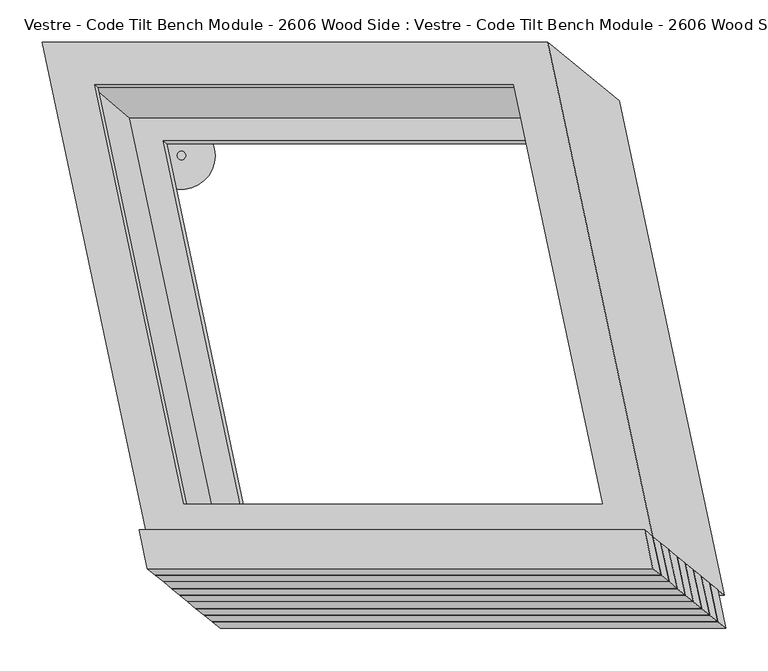
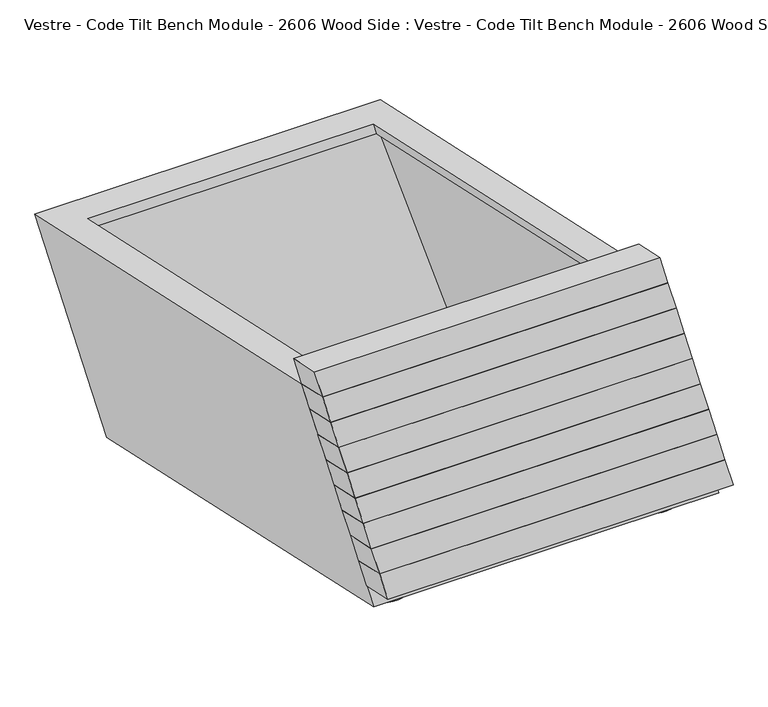
"""IFC4 building model written with IfcOpenShell, lengths in millimetres: furniture geometry, Vestre - Code Tilt Bench Module - 2606 Wood Side : Vestre - Code Tilt Bench Module - 2606 Wood Side."""

import ifcopenshell
import ifcopenshell.guid

model = None  # the IFC model being written
_history = None  # IfcOwnerHistory: only IFC2X3 demands one
_inside = {}  # id of a spatial element -> (the spatial element, [elements in it])
_under = {}  # id of a project, library or spatial element -> (it, [spatial elements below it])
_declared = {}  # id of a project -> (the project, [libraries it declares])
_typed = {}  # id of a type object -> (the type object, [elements of that type])
_made_of = {}  # id of a material, layer set ... -> (it, [elements and type objects made of it])


def new_model(schema):
    """Start an empty IFC model of exactly this schema.

    Asked for "IFC4X3", IfcOpenShell would pick the latest addendum, in which some entities
    have other attributes; the version numbers below select the first issue.
    IFC2X3 requires an IfcOwnerHistory on every rooted entity: one is made here for all.
    """
    global model, _history
    if schema == "IFC4X3":
        model = ifcopenshell.file(schema_version=(4, 3, 0, 0))
    else:
        model = ifcopenshell.file(schema=schema)
    _inside.clear()
    _under.clear()
    _declared.clear()
    _typed.clear()
    _made_of.clear()
    _history = None
    if model.schema == "IFC2X3":
        org = make("IfcOrganization", Name="unknown")
        user = make(
            "IfcPersonAndOrganization",
            ThePerson=make("IfcPerson", FamilyName="unknown"),
            TheOrganization=org,
        )
        app = make(
            "IfcApplication",
            ApplicationDeveloper=org,
            Version="unknown",
            ApplicationFullName="unknown",
            ApplicationIdentifier="unknown",
        )
        _history = make(
            "IfcOwnerHistory",
            OwningUser=user,
            OwningApplication=app,
            ChangeAction="ADDED",
            CreationDate=0,
        )
    return model


def make(cls, **values):
    """One entity of the class cls with the attributes given. An attribute that is None is left unset."""
    return model.create_entity(
        cls, **{name: value for name, value in values.items() if value is not None}
    )


def rooted(cls, **values):
    """An entity with a GlobalId (a new one), such as an element, a storey or a relation."""
    return make(cls, GlobalId=ifcopenshell.guid.new(), OwnerHistory=_history, **values)


def si_unit(unit_type, name, prefix=None):
    """IfcSIUnit, for example si_unit("LENGTHUNIT", "METRE", prefix="MILLI")."""
    return make("IfcSIUnit", UnitType=unit_type, Prefix=prefix, Name=name)


def assignment(units):
    """IfcUnitAssignment: the units of a project."""
    return None if units is None else make("IfcUnitAssignment", Units=units)


def point(xyz):
    """IfcCartesianPoint."""
    return None if xyz is None else make("IfcCartesianPoint", Coordinates=xyz)


def direction(xyz):
    """IfcDirection."""
    return None if xyz is None else make("IfcDirection", DirectionRatios=xyz)


def frame(location, z_axis=None, x_axis=None):
    """IfcAxis2Placement3D, a coordinate frame: its origin and axes. An axis left out is left unset."""
    return make(
        "IfcAxis2Placement3D",
        Location=point(location),
        Axis=direction(z_axis),
        RefDirection=direction(x_axis),
    )


def frame_2d(location, x_axis=None):
    """IfcAxis2Placement2D, a coordinate frame in the plane: its origin and x axis."""
    return make(
        "IfcAxis2Placement2D", Location=point(location), RefDirection=direction(x_axis)
    )


def origin():
    """The frame at (0, 0, 0) with its axes left unset."""
    return frame((0.0, 0.0, 0.0))


def origin_with_axes():
    """The frame at (0, 0, 0) with the z axis (0, 0, 1) and the x axis (1, 0, 0) written out."""
    return frame((0.0, 0.0, 0.0), z_axis=(0.0, 0.0, 1.0), x_axis=(1.0, 0.0, 0.0))


def place(relative_to, where):
    """IfcLocalPlacement: puts the frame where relative to a parent placement (None: the world)."""
    return make(
        "IfcLocalPlacement", PlacementRelTo=relative_to, RelativePlacement=where
    )


def context(
    kind, dimensions, precision=None, world=None, true_north=None, identifier=None
):
    """IfcGeometricRepresentationContext, for example the 3D "Model" context."""
    return make(
        "IfcGeometricRepresentationContext",
        ContextIdentifier=identifier,
        ContextType=kind,
        CoordinateSpaceDimension=dimensions,
        Precision=precision,
        WorldCoordinateSystem=world,
        TrueNorth=true_north,
    )


def project(units=None, contexts=None):
    """IfcProject with its units and contexts."""
    return rooted(
        "IfcProject",
        Name="project",
        RepresentationContexts=contexts,
        UnitsInContext=assignment(units),
    )


def spatial(cls, under=None, at=None, **own):
    """A site, building, storey or space (cls), placed at a placement, below another one or the project."""
    s = rooted(cls, ObjectPlacement=at, **own)
    if under is not None:
        _under.setdefault(under.id(), (under, []))[1].append(s)
    return s


def circle_curve(where, radius):
    """IfcCircle in the frame where."""
    return make("IfcCircle", Position=where, Radius=radius)


def trimmed(basis, trim1, trim2, sense, master):
    """IfcTrimmedCurve: the piece of a basis curve between two trims."""
    return make(
        "IfcTrimmedCurve",
        BasisCurve=basis,
        Trim1=trim1,
        Trim2=trim2,
        SenseAgreement=sense,
        MasterRepresentation=master,
    )


def segment(curve, same_sense, transition):
    """IfcCompositeCurveSegment."""
    return make(
        "IfcCompositeCurveSegment",
        Transition=transition,
        SameSense=same_sense,
        ParentCurve=curve,
    )


def composite_curve(segments, self_intersect=None):
    """IfcCompositeCurve: segments joined end to end."""
    return make("IfcCompositeCurve", Segments=segments, SelfIntersect=self_intersect)


def outline(outer, holes=None, kind="AREA"):
    """IfcArbitraryClosedProfileDef: a profile drawn as a closed curve; with holes, ...WithVoids."""
    if holes is None:
        return make("IfcArbitraryClosedProfileDef", ProfileType=kind, OuterCurve=outer)
    return make(
        "IfcArbitraryProfileDefWithVoids",
        ProfileType=kind,
        OuterCurve=outer,
        InnerCurves=holes,
    )


def extrude(swept, where, along, depth):
    """IfcExtrudedAreaSolid: the profile swept, set in the frame where, extruded along a direction by depth."""
    return make(
        "IfcExtrudedAreaSolid",
        SweptArea=swept,
        Position=where,
        ExtrudedDirection=direction(along),
        Depth=depth,
    )


def faces_of(points, faces, orient=None, outer=None):
    """IfcFace entities. A face is a list of loops; a loop is a list of indices into points, from 0.

    orient and outer hold one flag for each loop. By default every Orientation is true, the
    first loop of a face is its IfcFaceOuterBound and the others are IfcFaceBound.
    """
    made = []
    for i, loops in enumerate(faces):
        bounds = []
        for j, loop in enumerate(loops):
            is_outer = j == 0 if outer is None else outer[i][j]
            bounds.append(
                make(
                    "IfcFaceOuterBound" if is_outer else "IfcFaceBound",
                    Bound=make("IfcPolyLoop", Polygon=[points[k] for k in loop]),
                    Orientation=True if orient is None else orient[i][j],
                )
            )
        made.append(make("IfcFace", Bounds=bounds))
    return made


def faceted_brep(points, faces, orient=None, outer=None, voids=None):
    """IfcFacetedBrep: a solid bounded by flat faces; with voids (closed shells), ...WithVoids."""
    shared = [point(p) for p in points]
    hull = make("IfcClosedShell", CfsFaces=faces_of(shared, faces, orient, outer))
    if voids is None:
        return make("IfcFacetedBrep", Outer=hull)
    return make(
        "IfcFacetedBrepWithVoids",
        Outer=hull,
        Voids=[
            make(cls, CfsFaces=faces_of(shared, fs, o, b)) for cls, fs, o, b in voids
        ],
    )


def shape(context_of_items, identifier, shape_type, items):
    """IfcShapeRepresentation: the items that make up one representation, for example the "Body"."""
    return make(
        "IfcShapeRepresentation",
        ContextOfItems=context_of_items,
        RepresentationIdentifier=identifier,
        RepresentationType=shape_type,
        Items=items,
    )


def source(mapping_origin, context_of_items, identifier, shape_type, items):
    """IfcRepresentationMap: a shape defined once, which mapped items show again and again."""
    return make(
        "IfcRepresentationMap",
        MappingOrigin=mapping_origin,
        MappedRepresentation=shape(context_of_items, identifier, shape_type, items),
    )


def transform(
    local_origin,
    x_axis=None,
    y_axis=None,
    z_axis=None,
    scale=None,
    scale2=None,
    scale3=None,
    uniform=True,
):
    """IfcCartesianTransformationOperator3D, or its non-uniform kind. x_axis, y_axis, z_axis: its Axis1, 2, 3."""
    if uniform:
        return make(
            "IfcCartesianTransformationOperator3D",
            Axis1=direction(x_axis),
            Axis2=direction(y_axis),
            LocalOrigin=point(local_origin),
            Scale=scale,
            Axis3=direction(z_axis),
        )
    return make(
        "IfcCartesianTransformationOperator3DnonUniform",
        Axis1=direction(x_axis),
        Axis2=direction(y_axis),
        LocalOrigin=point(local_origin),
        Scale=scale,
        Axis3=direction(z_axis),
        Scale2=scale2,
        Scale3=scale3,
    )


def mapped(mapping_source, mapping_target):
    """IfcMappedItem: shows the shape of a source again, moved by a transform."""
    return make(
        "IfcMappedItem", MappingSource=mapping_source, MappingTarget=mapping_target
    )


def made_of(thing, what):
    """Note that an element or type object is made of a material, layer set ...; save() writes the relation."""
    if what is not None:
        _made_of.setdefault(what.id(), (what, []))[1].append(thing)
    return thing


def element(
    cls,
    number,
    at=None,
    inside=None,
    cuts=None,
    type_object=None,
    material=None,
    context=None,
    identifier="Body",
    shape_type=None,
    held_by="IfcProductDefinitionShape",
    body=None,
    shapes=None,
    **own,
):
    """One element of the class cls, such as IfcWall. Its Tag is "e" and its number.

    at: its placement. inside: the storey or other place that contains it. cuts: it is an
    opening in that element (IfcRelVoidsElement). A single representation is given by context,
    identifier, shape_type and body (its items); several are given by shapes. held_by: the class
    of the entity that holds the representations. save() writes the other relations.
    """
    e = rooted(cls, Tag="e%d" % number, ObjectPlacement=at, **own)
    if body is not None:
        shapes = [shape(context, identifier, shape_type, body)]
    if shapes is not None:
        e.Representation = make(held_by, Representations=shapes)
    if inside is not None:
        _inside.setdefault(inside.id(), (inside, []))[1].append(e)
    if cuts is not None:
        rooted(
            "IfcRelVoidsElement", RelatingBuildingElement=cuts, RelatedOpeningElement=e
        )
    if type_object is not None:
        _typed.setdefault(type_object.id(), (type_object, []))[1].append(e)
    return made_of(e, material)


def aggregate(whole, parts):
    """IfcRelAggregates: a whole, such as a stair, and the parts it consists of."""
    return rooted("IfcRelAggregates", RelatingObject=whole, RelatedObjects=parts)


def save(model, path):
    """Write the relations noted so far, then the file.

    IfcRelAggregates (storeys below a building ...), IfcRelContainedInSpatialStructure (elements
    in a storey), IfcRelDefinesByType, IfcRelAssociatesMaterial and IfcRelDeclares: one each for
    every whole, place, type object, material and project.
    """
    for whole, parts in _under.values():
        aggregate(whole, parts)
    for where, things in _inside.values():
        rooted(
            "IfcRelContainedInSpatialStructure",
            RelatedElements=things,
            RelatingStructure=where,
        )
    for kind, things in _typed.values():
        rooted("IfcRelDefinesByType", RelatedObjects=things, RelatingType=kind)
    for what, things in _made_of.values():
        rooted("IfcRelAssociatesMaterial", RelatedObjects=things, RelatingMaterial=what)
    for by, libraries in _declared.values():
        rooted("IfcRelDeclares", RelatingContext=by, RelatedDefinitions=libraries)
    model.write(path)


def plane_surface(at):
    """IfcPlane: the flat surface through the origin of the frame at, square to its z axis."""
    return make("IfcPlane", Position=at)


def cylinder_surface(at, radius):
    """IfcCylindricalSurface: all points at the distance radius from the z axis of the frame at."""
    return make("IfcCylindricalSurface", Position=at, Radius=radius)


def advanced_brep(points, edges, surfaces, faces):
    """IfcAdvancedBrep: a solid bounded by faces that lie on surfaces and meet in shared edges.

    An edge is (start, end): straight between two places in points (the first is 0);
    or (start, end, curve); or (start, end, curve, False) where it runs against its curve.
    A face is (place in surfaces, loops), or (place, loops, False) where it looks against
    its surface's normal. A loop lists edges by number (the first is 1), with a minus sign
    where the edge is run from its end to its start. The first loop is the outer one.
    """
    corners = [point(p) for p in points]
    vertices = [make("IfcVertexPoint", VertexGeometry=c) for c in corners]
    made = []
    for start, end, *more in edges:
        made.append(
            make(
                "IfcEdgeCurve",
                EdgeStart=vertices[start],
                EdgeEnd=vertices[end],
                EdgeGeometry=more[0] if more else make("IfcPolyline", Points=[corners[start], corners[end]]),
                SameSense=more[1] if len(more) > 1 else True,
            )
        )
    hull = []
    for where, loops, *sense in faces:
        bounds = []
        for j, loop in enumerate(loops):
            ring = [make("IfcOrientedEdge", EdgeElement=made[abs(k) - 1], Orientation=k > 0) for k in loop]
            bounds.append(
                make(
                    "IfcFaceOuterBound" if j == 0 else "IfcFaceBound",
                    Bound=make("IfcEdgeLoop", EdgeList=ring),
                    Orientation=True,
                )
            )
        hull.append(make("IfcAdvancedFace", Bounds=bounds, FaceSurface=surfaces[where], SameSense=sense[0] if sense else True))
    return make("IfcAdvancedBrep", Outer=make("IfcClosedShell", CfsFaces=hull))


def vestre_code_tilt_bench_module_2606_wood_side_vestre_code_c1b78fa6(model_context):
    return source(origin(), model_context, "Body", "SolidModel", [
        faceted_brep([(-245.4752808, -324.9363487, 104.3431028), (354.5247192, -324.9363487, 104.3431028), (344.7676887, -279.0331292, 104.3431028), (-255.2323113, -279.0331292, 104.3431028), (-235.8338443, -332.8110633, 59.2759155), (-245.5908748, -286.9078438, 59.2759155), (354.4091252, -286.9078438, 59.2759155), (364.1661557, -332.8110633, 59.2759155)], [[[0, 1, 2, 3]], [[4, 5, 6, 7]], [[4, 7, 1, 0]], [[7, 6, 2, 1]], [[6, 5, 3, 2]], [[5, 4, 0, 3]]]),
        faceted_brep([(-255.1167174, -317.0616341, 149.4102901), (344.8832826, -317.0616341, 149.4102901), (335.1262521, -271.1584146, 149.4102901), (-264.8737479, -271.1584146, 149.4102901), (-245.4752808, -324.9363487, 104.3431028), (-255.2323113, -279.0331292, 104.3431028), (344.7676887, -279.0331292, 104.3431028), (354.5247192, -324.9363487, 104.3431028)], [[[0, 1, 2, 3]], [[4, 5, 6, 7]], [[4, 7, 1, 0]], [[7, 6, 2, 1]], [[6, 5, 3, 2]], [[5, 4, 0, 3]]]),
        faceted_brep([(-264.7371007, -309.1869195, 194.4774774), (335.2628993, -309.1869195, 194.4774774), (325.5058687, -263.2836999, 194.4774774), (-274.4941313, -263.2836999, 194.4774774), (-255.0956642, -317.0616341, 149.4102901), (-264.8526947, -271.1584146, 149.4102901), (335.1473053, -271.1584146, 149.4102901), (344.9043358, -317.0616341, 149.4102901)], [[[0, 1, 2, 3]], [[4, 5, 6, 7]], [[4, 7, 1, 0]], [[7, 6, 2, 1]], [[6, 5, 3, 2]], [[5, 4, 0, 3]]]),
        faceted_brep([(-274.3574841, -301.3122048, 239.5446646), (325.6425159, -301.3122048, 239.5446646), (315.8854854, -255.4089853, 239.5446646), (-284.1145146, -255.4089853, 239.5446646), (-264.7160475, -309.1869195, 194.4774774), (-274.473078, -263.2836999, 194.4774774), (325.526922, -263.2836999, 194.4774774), (335.2839525, -309.1869195, 194.4774774)], [[[0, 1, 2, 3]], [[4, 5, 6, 7]], [[4, 7, 1, 0]], [[7, 6, 2, 1]], [[6, 5, 3, 2]], [[5, 4, 0, 3]]]),
        faceted_brep([(-283.9778674, -293.4374902, 284.6118519), (316.0221326, -293.4374902, 284.6118519), (306.2651021, -247.5342707, 284.6118519), (-293.7348979, -247.5342707, 284.6118519), (-274.3364308, -301.3122048, 239.5446646), (-284.0934613, -255.4089853, 239.5446646), (315.9065387, -255.4089853, 239.5446646), (325.6635692, -301.3122048, 239.5446646)], [[[0, 1, 2, 3]], [[4, 5, 6, 7]], [[4, 7, 1, 0]], [[7, 6, 2, 1]], [[6, 5, 3, 2]], [[5, 4, 0, 3]]]),
        faceted_brep([(-293.5982507, -285.5627756, 329.6790392), (306.4017493, -285.5627756, 329.6790392), (296.6447188, -239.6595561, 329.6790392), (-303.3552812, -239.6595561, 329.6790392), (-283.9568141, -293.4374902, 284.6118519), (-293.7138447, -247.5342707, 284.6118519), (306.2861553, -247.5342707, 284.6118519), (316.0431859, -293.4374902, 284.6118519)], [[[0, 1, 2, 3]], [[4, 5, 6, 7]], [[4, 7, 1, 0]], [[7, 6, 2, 1]], [[6, 5, 3, 2]], [[5, 4, 0, 3]]]),
        faceted_brep([(-303.1765275, -277.688061, 374.7462265), (296.8234725, -277.688061, 374.7462265), (287.0664419, -231.7848414, 374.7462265), (-312.9335581, -231.7848414, 374.7462265), (-293.535091, -285.5627756, 329.6790392), (-303.2921215, -239.6595561, 329.6790392), (296.7078785, -239.6595561, 329.6790392), (306.464909, -285.5627756, 329.6790392)], [[[0, 1, 2, 3]], [[4, 5, 6, 7]], [[4, 7, 1, 0]], [[7, 6, 2, 1]], [[6, 5, 3, 2]], [[5, 4, 0, 3]]]),
        faceted_brep([(-312.8179641, -269.8133464, 419.8134138), (287.1820359, -269.8133464, 419.8134138), (277.4250054, -223.9101268, 419.8134138), (-322.5749946, -223.9101268, 419.8134138), (-303.1765275, -277.688061, 374.7462265), (-312.9335581, -231.7848414, 374.7462265), (287.0664419, -231.7848414, 374.7462265), (296.8234725, -277.688061, 374.7462265)], [[[0, 1, 2, 3]], [[4, 5, 6, 7]], [[4, 7, 1, 0]], [[7, 6, 2, 1]], [[6, 5, 3, 2]], [[5, 4, 0, 3]]]),
        faceted_brep([(-322.4638353, -261.9177688, 465.0), (277.5361647, -261.9177688, 465.0), (267.7798975, -216.0181403, 465.0), (-332.2201025, -216.0181403, 465.0), (-312.8179641, -269.8133464, 419.8134138), (-322.5749946, -223.9101268, 419.8134138), (277.4250054, -223.9101268, 419.8134138), (287.1820359, -269.8133464, 419.8134138)], [[[0, 1, 2, 3]], [[4, 5, 6, 7]], [[4, 7, 1, 0]], [[7, 6, 2, 1]], [[6, 5, 3, 2]], [[5, 4, 0, 3]]]),
        extrude(outline(composite_curve([segment(trimmed(circle_curve(frame_2d((-282.0328456, 228.5027868)), 5.0), [point((-287.0328456, 228.5027868))], [point((-277.0328456, 228.5027868))], False, "CARTESIAN"), True, "CONTINUOUS"), segment(trimmed(circle_curve(frame_2d((-282.0328456, 228.5027868)), 5.0), [point((-277.0328456, 228.5027868))], [point((-287.0328456, 228.5027868))], False, "CARTESIAN"), True, "CONTINUOUS")], self_intersect=False)), frame((0.0, 0.0, 5.0), z_axis=(0.0, 0.0, 1.0), x_axis=(1.0, 0.0, 0.0)), (0.0, 0.0, 1.0), 19.928755),
        extrude(outline(composite_curve([segment(trimmed(circle_curve(frame_2d((-281.9772057, 228.2596966)), 40.0), [point((-321.9772057, 228.2596966))], [point((-241.9772057, 228.2596966))], False, "CARTESIAN"), True, "CONTINUOUS"), segment(trimmed(circle_curve(frame_2d((-281.9772057, 228.2596966)), 40.0), [point((-241.9772057, 228.2596966))], [point((-321.9772057, 228.2596966))], False, "CARTESIAN"), True, "CONTINUOUS")], self_intersect=False)), origin_with_axes(), (0.0, 0.0, 1.0), 5.0),
        extrude(outline(composite_curve([segment(trimmed(circle_curve(frame_2d((184.9661106, 228.5027868)), 5.0), [point((179.9661106, 228.5027868))], [point((189.9661106, 228.5027868))], False, "CARTESIAN"), True, "CONTINUOUS"), segment(trimmed(circle_curve(frame_2d((184.9661106, 228.5027868)), 5.0), [point((189.9661106, 228.5027868))], [point((179.9661106, 228.5027868))], False, "CARTESIAN"), True, "CONTINUOUS")], self_intersect=False)), frame((0.0, 0.0, 5.0), z_axis=(0.0, 0.0, 1.0), x_axis=(1.0, 0.0, 0.0)), (0.0, 0.0, 1.0), 19.928755),
        extrude(outline(composite_curve([segment(trimmed(circle_curve(frame_2d((185.0217505, 228.2596966)), 40.0), [point((145.0217505, 228.2596966))], [point((225.0217505, 228.2596966))], False, "CARTESIAN"), True, "CONTINUOUS"), segment(trimmed(circle_curve(frame_2d((185.0217505, 228.2596966)), 40.0), [point((225.0217505, 228.2596966))], [point((145.0217505, 228.2596966))], False, "CARTESIAN"), True, "CONTINUOUS")], self_intersect=False)), origin_with_axes(), (0.0, 0.0, 1.0), 5.0),
        extrude(outline(composite_curve([segment(trimmed(circle_curve(frame_2d((282.1707135, -228.4385142)), 5.0), [point((277.1707135, -228.4385142))], [point((287.1707135, -228.4385142))], False, "CARTESIAN"), True, "CONTINUOUS"), segment(trimmed(circle_curve(frame_2d((282.1707135, -228.4385142)), 5.0), [point((287.1707135, -228.4385142))], [point((277.1707135, -228.4385142))], False, "CARTESIAN"), True, "CONTINUOUS")], self_intersect=False)), frame((0.0, 0.0, 5.0), z_axis=(0.0, 0.0, 1.0), x_axis=(1.0, 0.0, 0.0)), (0.0, 0.0, 1.0), 19.928755),
        extrude(outline(composite_curve([segment(trimmed(circle_curve(frame_2d((282.2263535, -228.6816045)), 40.0), [point((242.2263535, -228.6816045))], [point((322.2263535, -228.6816045))], False, "CARTESIAN"), True, "CONTINUOUS"), segment(trimmed(circle_curve(frame_2d((282.2263535, -228.6816045)), 40.0), [point((322.2263535, -228.6816045))], [point((242.2263535, -228.6816045))], False, "CARTESIAN"), True, "CONTINUOUS")], self_intersect=False)), origin_with_axes(), (0.0, 0.0, 1.0), 5.0),
        advanced_brep(
        [(-189.8930564, -228.4385142, 24.928755), (-179.8930564, -228.4385142, 24.928755), (-189.8930564, -228.4385142, 5.0), (-179.8930564, -228.4385142, 5.0), (-224.8374164, -228.6816045, 5.0), (-144.8374164, -228.6816045, 5.0), (-224.8374164, -228.6816045, 0.0), (-144.8374164, -228.6816045, 0.0)],
        [
            (0, 1, circle_curve(frame((-184.8930564, -228.4385142, 24.928755), z_axis=(0.0, 0.0, 1.0), x_axis=(1.0, 0.0, 0.0)), 5.0)),
            (1, 0, circle_curve(frame((-184.8930564, -228.4385142, 24.928755), z_axis=(0.0, 0.0, 1.0), x_axis=(1.0, 0.0, 0.0)), 5.0)),
            (0, 2),
            (2, 3, circle_curve(frame((-184.8930564, -228.4385142, 5.0), z_axis=(0.0, 0.0, 1.0), x_axis=(1.0, 0.0, 0.0)), 5.0)),
            (3, 1),
            (3, 2, circle_curve(frame((-184.8930564, -228.4385142, 5.0), z_axis=(0.0, 0.0, 1.0), x_axis=(1.0, 0.0, 0.0)), 5.0)),
            (4, 5, circle_curve(frame((-184.8374164, -228.6816045, 5.0), z_axis=(0.0, 0.0, 1.0), x_axis=(1.0, 0.0, 0.0)), 40.0)),
            (5, 4, circle_curve(frame((-184.8374164, -228.6816045, 5.0), z_axis=(0.0, 0.0, 1.0), x_axis=(1.0, 0.0, 0.0)), 40.0)),
            (6, 7, circle_curve(frame((-184.8374164, -228.6816045, 0.0), z_axis=(0.0, 0.0, -1.0), x_axis=(1.0, 0.0, 0.0)), 40.0)),
            (7, 6, circle_curve(frame((-184.8374164, -228.6816045, 0.0), z_axis=(0.0, 0.0, -1.0), x_axis=(1.0, 0.0, 0.0)), 40.0)),
            (4, 6),
            (7, 5),
        ],
        [
            plane_surface(frame((-179.8930564, -228.4385142, 24.928755), z_axis=(0.0, 0.0, 1.0), x_axis=(0.0, 1.0, 0.0))),
            cylinder_surface(frame((-184.8930564, -228.4385142, 5.0), z_axis=(0.0, 0.0, 1.0), x_axis=(1.0, 0.0, 0.0)), 5.0),
            plane_surface(frame((-144.8374164, -228.6816045, 5.0), z_axis=(0.0, 0.0, 1.0), x_axis=(0.0, 1.0, 0.0))),
            plane_surface(frame((-144.8374164, -228.6816045, 0.0), z_axis=(0.0, 0.0, -1.0), x_axis=(0.0, -1.0, 0.0))),
            cylinder_surface(frame((-184.8374164, -228.6816045, 0.0), z_axis=(0.0, 0.0, 1.0), x_axis=(1.0, 0.0, 0.0)), 40.0),
        ],
        [
            (0, [[1, 2]]),
            (1, [[-1, 3, 4, 5]]),
            (1, [[-2, -5, 6, -3]]),
            (2, [[7, 8], [-4, -6]]),
            (3, [[9, 10]]),
            (4, [[-7, 11, -10, 12]]),
            (4, [[-8, -12, -9, -11]]),
        ],
    ),
        faceted_brep([(152.6779909, 362.9784336, 419.8134138), (-447.3220091, 362.9784336, 419.8134138), (-322.5749946, -223.9101268, 419.8134138), (277.4250054, -223.9101268, 419.8134138), (-384.6614061, 312.2208839, 419.8134138), (111.5950883, 312.2208839, 419.8134138), (217.200313, -184.6126361, 419.8134138), (-279.0561813, -184.6126361, 419.8134138), (237.6264928, 293.4442802, 21.8677277), (362.3735072, -293.4442802, 21.8677277), (-237.6264928, -293.4442802, 21.8677277), (-362.3735072, 293.4442802, 21.8677277), (196.5435902, 242.6867305, 21.8677277), (-299.7129042, 242.6867305, 21.8677277), (-196.1503245, -244.5369002, 21.8677277), (300.1061699, -244.5369002, 21.8677277), (-269.0294196, -231.7848414, 374.7462265), (237.0291749, -231.7848414, 374.7462265), (308.6447246, -284.7076416, 71.8677277), (-197.4138699, -284.7076416, 71.8677277), (-381.1121334, 309.3156453, 403.1866612), (115.1443609, 309.3156453, 403.1866612), (192.4591078, 246.0300623, 41.0016985), (-303.7973866, 246.0300623, 41.0016985), (-275.5922534, -187.1163595, 403.1866612), (-200.1365927, -241.6556298, 41.0016985), (220.664241, -187.1163595, 403.1866612), (296.1199017, -241.6556298, 41.0016985), (127.6313712, 332.9707916, 403.1866612), (243.4746973, -212.0292084, 403.1866612), (-298.365818, -212.0292084, 403.1866612), (-414.2091441, 332.9707916, 403.1866612), (225.4868228, 272.8781405, 41.0016985), (-343.6743593, 272.8781405, 41.0016985), (-228.3217228, -269.8133464, 41.0016985), (340.8394593, -269.8133464, 41.0016985), (233.794456, -216.5666856, 374.7462265), (-272.2641384, -216.5666856, 374.7462265), (-201.6264773, -264.8888821, 71.8677277), (304.4321172, -264.8888821, 71.8677277)], [[[0, 1, 2, 3], [4, 5, 6, 7]], [[8, 9, 10, 11], [12, 13, 14, 15]], [[1, 0, 8, 11]], [[2, 1, 11, 10]], [[3, 2, 10, 9], [16, 17, 18, 19]], [[0, 3, 9, 8]], [[5, 4, 20, 21]], [[13, 12, 22, 23]], [[4, 7, 24, 20]], [[14, 13, 23, 25]], [[7, 6, 26, 24]], [[15, 14, 25, 27]], [[6, 5, 21, 26]], [[12, 15, 27, 22]], [[28, 29, 30, 31], [21, 20, 24, 26]], [[32, 33, 34, 35], [23, 22, 27, 25]], [[28, 31, 33, 32]], [[31, 30, 34, 33]], [[30, 29, 35, 34], [36, 37, 38, 39]], [[29, 28, 32, 35]], [[16, 37, 36, 17]], [[38, 19, 18, 39]], [[37, 16, 19, 38]], [[17, 36, 39, 18]]]),
    ])


if __name__ == "__main__":
    model = new_model("IFC4")
    model_context = context("Model", 3, world=origin())
    ifc_project = project(units=[si_unit("LENGTHUNIT", "METRE", prefix="MILLI")], contexts=[model_context])
    site = spatial("IfcSite", under=ifc_project)
    building = spatial("IfcBuilding", under=site)
    placement = place(None, origin())
    vestre_code_tilt_bench_module_2606_wood_side_vestre_code_shape = vestre_code_tilt_bench_module_2606_wood_side_vestre_code_c1b78fa6(model_context)
    element("IfcFurniture", 1, ObjectType="Vestre - Code Tilt Bench Module - 2606 Wood Side : Vestre - Code Tilt Bench Module - 2606 Wood Side", at=placement, inside=building, context=model_context, shape_type="MappedRepresentation", body=[
        mapped(vestre_code_tilt_bench_module_2606_wood_side_vestre_code_shape, transform((0.0, 0.0, 0.0), x_axis=(1.0, 0.0, 0.0), y_axis=(0.0, 1.0, 0.0), z_axis=(0.0, 0.0, 1.0))),
    ])
    save(model, "model.ifc")
